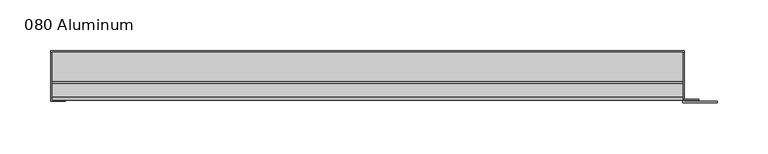
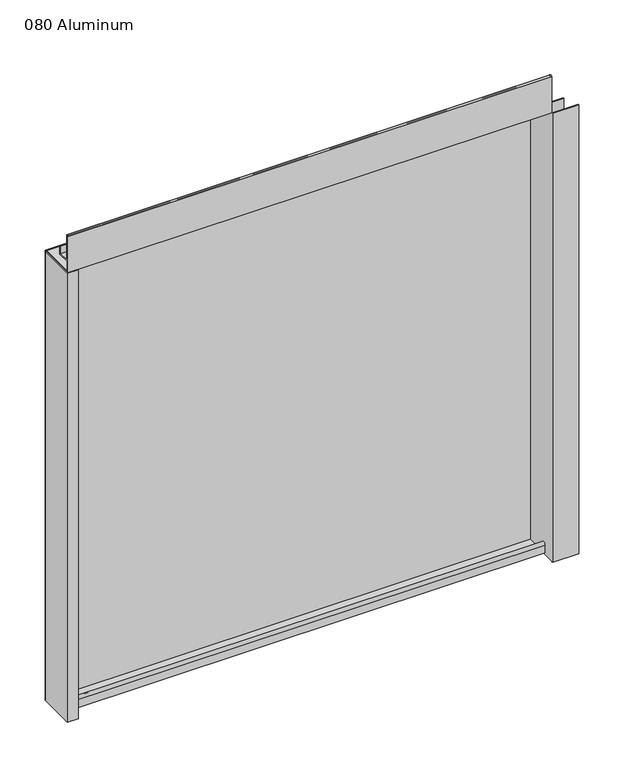
"""IFC4 building model written with IfcOpenShell, lengths in millimetres: plate geometry, 080 Aluminum."""

from ifc_helpers import new_model, si_unit, point, frame, frame_2d, origin, origin_with_axes, place, context, project, spatial, polyline, circle_curve, trimmed, segment, composite_curve, outline, extrude, source, transform, mapped, element, save


def plate_080_aluminum_92484da0(model_context):
    return source(origin(), model_context, "Body", "SweptSolid", [
        extrude(outline(polyline([(-316.23, 2.5660257), (-303.3394994, 2.5660257), (-303.3394994, 1.2699999), (-317.4999999, 1.2699999), (-317.4999999, 49.5300001), (-316.23, 49.5300001), (-316.23, 2.5660257)])), origin_with_axes(), (0.0, 0.0, 1.0), 608.33),
        extrude(outline(composite_curve([segment(trimmed(circle_curve(frame_2d((19.8514743, 13.124237)), 3.175), [point((16.6765477, 13.1458337))], [point((23.0264743, 13.124237))], False, "CARTESIAN"), True, "CONTINUOUS"), segment(polyline([(23.0264743, 13.124237), (23.0264743, 1.2693678), (49.5300002, 1.2693678), (49.5300002, 0.0), (21.7564743, 0.0), (21.7564743, 13.124237)]), True, "CONTINUOUS"), segment(trimmed(circle_curve(frame_2d((19.8514743, 13.124237)), 1.905), [point((21.7564743, 13.124237))], [point((17.9464915, 13.1323356))], True, "CARTESIAN"), True, "CONTINUOUS"), segment(polyline([(17.9464915, 13.1323356), (17.9464915, 2.786437), (16.6765477, 2.786437), (16.6765477, 13.1458337)]), True, "CONTINUOUS")], self_intersect=False)), frame((-316.23, 0.0, 0.0), z_axis=(1.0, 0.0, 0.0), x_axis=(0.0, 1.0, 0.0)), (0.0, 0.0, 1.0), 619.76),
        extrude(outline(composite_curve([segment(trimmed(circle_curve(frame_2d((3.7084742, 656.7932001)), 1.6509999), [point((2.0574743, 656.7932001))], [point((5.3594742, 656.7932001))], False, "CARTESIAN"), True, "CONTINUOUS"), segment(polyline([(5.3594742, 656.7932001), (5.3594742, 623.57), (19.2164743, 623.57), (19.2164743, 633.6538), (20.4864742, 633.6538), (20.4864742, 622.3), (4.0894742, 622.3), (4.0894742, 656.7932001)]), True, "CONTINUOUS"), segment(trimmed(circle_curve(frame_2d((3.7084742, 656.7932001)), 0.3809999), [point((4.0894742, 656.7932001))], [point((3.3274743, 656.7932001))], True, "CARTESIAN"), True, "CONTINUOUS"), segment(polyline([(3.3274743, 656.7932001), (3.3274743, 609.6000001), (49.5300002, 609.6000001), (49.5300002, 608.33), (2.0574743, 608.33), (2.0574743, 656.7932001)]), True, "CONTINUOUS")], self_intersect=False)), frame((-316.23, 0.0, 0.0), z_axis=(1.0, 0.0, 0.0), x_axis=(0.0, 1.0, 0.0)), (0.0, 0.0, 1.0), 619.76),
        extrude(outline(polyline([(-317.5, 50.8), (304.8, 50.8), (304.8, 49.5300001), (-317.5, 49.5300001), (-317.5, 50.8)])), origin_with_axes(), (0.0, 0.0, 1.0), 609.6),
        extrude(outline(polyline([(304.8, 1.2699999), (337.3120856, 1.2699999), (337.3120856, 0.0), (303.5300001, 0.0), (303.5300001, 49.5300002), (304.8, 49.5300002), (304.8, 1.2699999)])), origin_with_axes(), (0.0, 0.0, 1.0), 608.33),
        extrude(outline(polyline([(303.53, 3.3274743), (319.2779999, 3.3274743), (319.2779999, 2.0574743), (303.53, 2.0574743), (303.53, 3.3274743)])), origin_with_axes(), (0.0, 0.0, 1.0), 622.3),
    ])


if __name__ == "__main__":
    model = new_model("IFC4")
    model_context = context("Model", 3, world=origin())
    ifc_project = project(units=[si_unit("LENGTHUNIT", "METRE", prefix="MILLI")], contexts=[model_context])
    site = spatial("IfcSite", under=ifc_project)
    building = spatial("IfcBuilding", under=site)
    placement = place(None, origin())
    plate_080_aluminum_shape = plate_080_aluminum_92484da0(model_context)
    element("IfcPlate", 1, ObjectType="080 Aluminum", at=placement, inside=building, context=model_context, shape_type="MappedRepresentation", body=[
        mapped(plate_080_aluminum_shape, transform((0.0, 0.0, 0.0), x_axis=(1.0, 0.0, 0.0), y_axis=(0.0, 1.0, 0.0), z_axis=(0.0, 0.0, 1.0))),
    ])
    save(model, "model.ifc")
